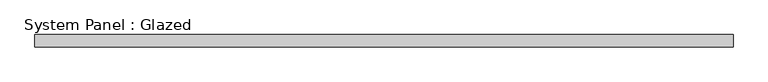
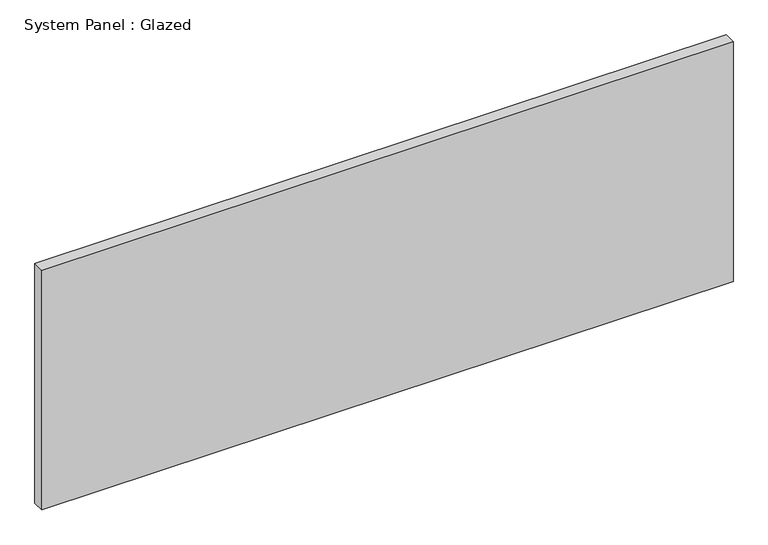
"""IFC4 building model written with IfcOpenShell, lengths in millimetres: plate geometry, System Panel : Glazed."""

from ifc_helpers import new_model, si_unit, origin, origin_with_axes, place, context, project, spatial, polyline, outline, extrude, source, transform, mapped, element, save


def system_panel_glazed_66efbaa7(model_context):
    return source(origin(), model_context, "Body", "SweptSolid", [
        extrude(outline(polyline([(715.8667994, 24.5), (-715.8667994, 24.5), (-715.8667994, 49.5), (715.8667994, 49.5), (715.8667994, 24.5)])), origin_with_axes(), (0.0, 0.0, 1.0), 525.0),
    ])


if __name__ == "__main__":
    model = new_model("IFC4")
    model_context = context("Model", 3, world=origin())
    ifc_project = project(units=[si_unit("LENGTHUNIT", "METRE", prefix="MILLI")], contexts=[model_context])
    site = spatial("IfcSite", under=ifc_project)
    building = spatial("IfcBuilding", under=site)
    placement = place(None, origin())
    system_panel_glazed_shape = system_panel_glazed_66efbaa7(model_context)
    element("IfcPlate", 1, ObjectType="System Panel : Glazed", at=placement, inside=building, context=model_context, shape_type="MappedRepresentation", body=[
        mapped(system_panel_glazed_shape, transform((0.0, 0.0, 0.0), x_axis=(1.0, 0.0, 0.0), y_axis=(0.0, 1.0, 0.0), z_axis=(0.0, 0.0, 1.0))),
    ])
    save(model, "model.ifc")
